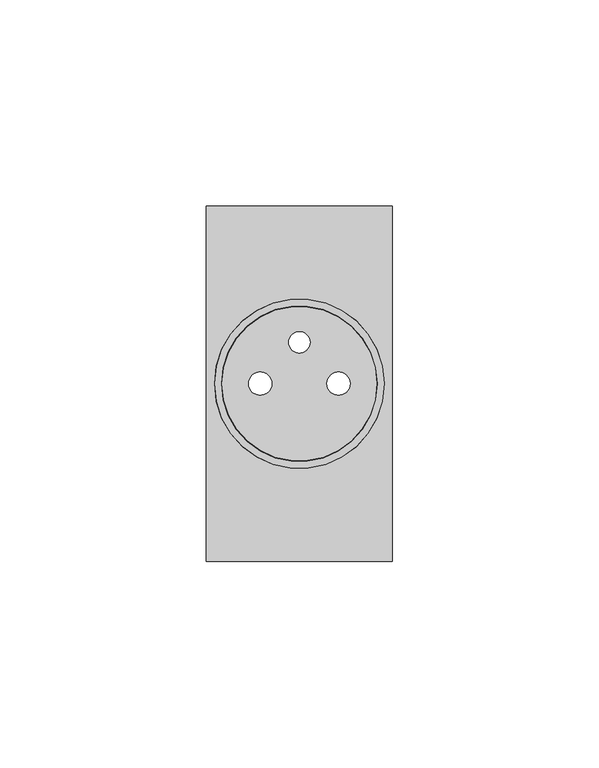
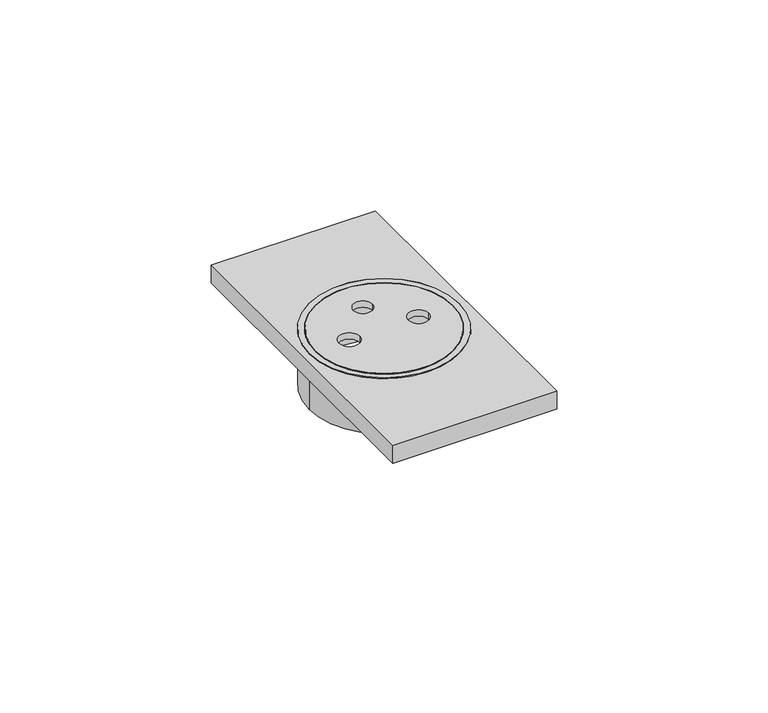
"""IFC4 building model written with IfcOpenShell, lengths in millimetres: proxy geometry."""

from ifc_helpers import new_model, si_unit, point, frame, frame_2d, origin, place, context, project, spatial, polyline, circle_curve, trimmed, segment, composite_curve, outline, extrude, source, transform, mapped, element, save


def electrical_fixtures_66018887(model_context):
    return source(origin(), model_context, "Body", "SweptSolid", [
        extrude(outline(composite_curve([segment(trimmed(circle_curve(frame_2d((22.5, 43.0)), 18.7349429), [point((3.7650571, 43.0))], [point((41.2349429, 43.0))], False, "CARTESIAN"), True, "CONTINUOUS"), segment(trimmed(circle_curve(frame_2d((22.5, 43.0)), 18.7349429), [point((41.2349429, 43.0))], [point((3.7650571, 43.0))], False, "CARTESIAN"), True, "CONTINUOUS")], self_intersect=False), holes=[composite_curve([segment(trimmed(circle_curve(frame_2d((13.0130277, 43.0315089)), 2.8249337), [point((10.1880939, 43.0315089))], [point((15.8379614, 43.0315089))], True, "CARTESIAN"), True, "CONTINUOUS"), segment(trimmed(circle_curve(frame_2d((13.0130277, 43.0315089)), 2.8249337), [point((15.8379614, 43.0315089))], [point((10.1880939, 43.0315089))], True, "CARTESIAN"), True, "CONTINUOUS")], self_intersect=False), composite_curve([segment(trimmed(circle_curve(frame_2d((22.5, 53.0221146)), 2.5812859), [point((19.9187141, 53.0221146))], [point((25.0812859, 53.0221146))], True, "CARTESIAN"), True, "CONTINUOUS"), segment(trimmed(circle_curve(frame_2d((22.5, 53.0221146)), 2.5812859), [point((25.0812859, 53.0221146))], [point((19.9187141, 53.0221146))], True, "CARTESIAN"), True, "CONTINUOUS")], self_intersect=False), composite_curve([segment(trimmed(circle_curve(frame_2d((31.9869723, 43.0315089)), 2.8249337), [point((34.8119061, 43.0315089))], [point((29.1620386, 43.0315089))], True, "CARTESIAN"), True, "CONTINUOUS"), segment(trimmed(circle_curve(frame_2d((31.9869723, 43.0315089)), 2.8249337), [point((29.1620386, 43.0315089))], [point((34.8119061, 43.0315089))], True, "CARTESIAN"), True, "CONTINUOUS")], self_intersect=False)]), frame((0.0, 0.0, 8.9), z_axis=(0.0, 0.0, 1.0), x_axis=(1.0, 0.0, 0.0)), (0.0, 0.0, 1.0), 1.8),
        extrude(outline(composite_curve([segment(trimmed(circle_curve(frame_2d((22.5, 43.0)), 20.509), [point((1.991, 43.0))], [point((43.009, 43.0))], False, "CARTESIAN"), True, "CONTINUOUS"), segment(trimmed(circle_curve(frame_2d((22.5, 43.0)), 20.509), [point((43.009, 43.0))], [point((1.991, 43.0))], False, "CARTESIAN"), True, "CONTINUOUS")], self_intersect=False), holes=[composite_curve([segment(trimmed(circle_curve(frame_2d((22.5, 43.0)), 18.847251), [point((3.652749, 43.0))], [point((41.347251, 43.0))], True, "CARTESIAN"), True, "CONTINUOUS"), segment(trimmed(circle_curve(frame_2d((22.5, 43.0)), 18.847251), [point((41.347251, 43.0))], [point((3.652749, 43.0))], True, "CARTESIAN"), True, "CONTINUOUS")], self_intersect=False)]), frame((0.0, 0.0, -5.5915913), z_axis=(0.0, 0.0, 1.0), x_axis=(1.0, 0.0, 0.0)), (0.0, 0.0, 1.0), 16.2915913),
        extrude(outline(polyline([(0.0, 0.0), (0.0, 86.0), (45.0, 86.0), (45.0, 0.0), (0.0, 0.0)]), holes=[composite_curve([segment(trimmed(circle_curve(frame_2d((22.5, 43.0)), 20.5483684), [point((1.9516316, 43.0))], [point((43.0483684, 43.0))], True, "CARTESIAN"), True, "CONTINUOUS"), segment(trimmed(circle_curve(frame_2d((22.5, 43.0)), 20.5483684), [point((43.0483684, 43.0))], [point((1.9516316, 43.0))], True, "CARTESIAN"), True, "CONTINUOUS")], self_intersect=False)]), frame((0.0, 0.0, 5.5), z_axis=(0.0, 0.0, 1.0), x_axis=(1.0, 0.0, 0.0)), (0.0, 0.0, 1.0), 5.2),
    ])


if __name__ == "__main__":
    model = new_model("IFC4")
    model_context = context("Model", 3, world=origin())
    ifc_project = project(units=[si_unit("LENGTHUNIT", "METRE", prefix="MILLI")], contexts=[model_context])
    site = spatial("IfcSite", under=ifc_project)
    building = spatial("IfcBuilding", under=site)
    placement = place(None, origin())
    electrical_fixtures_shape = electrical_fixtures_66018887(model_context)
    element("IfcBuildingElementProxy", 1, Name="Electrical Fixtures", at=placement, inside=building, context=model_context, shape_type="MappedRepresentation", body=[
        mapped(electrical_fixtures_shape, transform((0.0, 0.0, 0.0), x_axis=(1.0, 0.0, 0.0), y_axis=(0.0, 1.0, 0.0), z_axis=(0.0, 0.0, 1.0))),
    ])
    save(model, "model.ifc")
